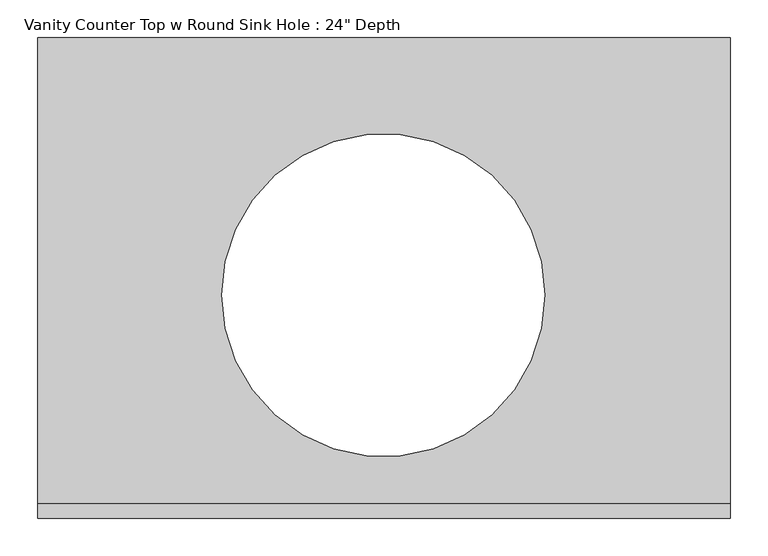
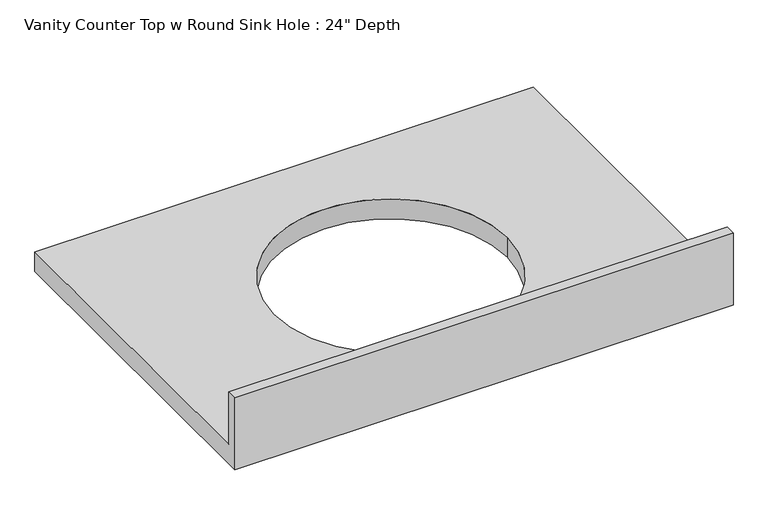
"""IFC4 building model written with IfcOpenShell, lengths in millimetres: furniture geometry."""

from ifc_helpers import new_model, si_unit, frame, origin, place, context, project, spatial, polyline, circle_curve, source, transform, mapped, element, save
from ifc_brep_helpers import plane_surface, revolved_surface, advanced_brep


def furniture_6fd07c0e(model_context):
    return source(origin(), model_context, "Body", "AdvancedBrep", [
        advanced_brep(
        [(-1327.4622951, 635.0, 787.4), (-1327.4622951, 19.05, 787.4), (-413.0622951, 19.05, 787.4), (-413.0622951, 635.0, 787.4), (-657.6613189, 294.8332632, 787.4), (-1084.3650835, 294.8332632, 787.4), (-413.0622951, 0.0, 749.3), (-1327.4622951, 0.0, 749.3), (-1327.4622951, 635.0, 749.3), (-413.0622951, 635.0, 749.3), (-1084.3650835, 294.8332632, 749.3), (-657.6613189, 294.8332632, 749.3), (-413.0622951, 0.0, 889.0), (-1327.4622951, 0.0, 889.0), (-1327.4622951, 19.05, 889.0), (-413.0622951, 19.05, 889.0)],
        [
            (0, 1),
            (1, 2),
            (2, 3),
            (3, 0),
            (4, 5, circle_curve(frame((-871.0132012, 294.8332632, 787.4), z_axis=(0.0, 0.0, -1.0), x_axis=(1.0, 0.0, 0.0)), 213.3518823)),
            (5, 4, circle_curve(frame((-871.0132012, 294.8332632, 787.4), z_axis=(0.0, 0.0, -1.0), x_axis=(1.0, 0.0, 0.0)), 213.3518823)),
            (6, 7),
            (7, 8),
            (8, 9),
            (9, 6),
            (10, 11, circle_curve(frame((-871.0132012, 294.8332632, 749.3), z_axis=(0.0, 0.0, 1.0), x_axis=(1.0, 0.0, 0.0)), 213.3518823)),
            (11, 10, circle_curve(frame((-871.0132012, 294.8332632, 749.3), z_axis=(0.0, 0.0, 1.0), x_axis=(1.0, 0.0, 0.0)), 213.3518823)),
            (6, 12),
            (12, 13),
            (13, 7),
            (13, 14),
            (14, 1),
            (0, 8),
            (3, 9),
            (2, 15),
            (15, 12),
            (15, 14),
            (5, 10),
            (11, 4),
        ],
        [
            plane_surface(frame((-1327.4622951, 0.0, 787.4), z_axis=(0.0, 0.0, 1.0), x_axis=(-1.0, 0.0, 0.0))),
            plane_surface(frame((-1327.4622951, 0.0, 749.3), z_axis=(0.0, 0.0, -1.0), x_axis=(1.0, 0.0, 0.0))),
            plane_surface(frame((-413.0622951, 0.0, 787.4), z_axis=(0.0, -1.0, 0.0), x_axis=(0.0, 0.0, -1.0))),
            plane_surface(frame((-1327.4622951, 0.0, 787.4), z_axis=(-1.0, 0.0, 0.0), x_axis=(0.0, 0.0, -1.0))),
            plane_surface(frame((-1327.4622951, 635.0, 787.4), z_axis=(0.0, 1.0, 0.0), x_axis=(0.0, 0.0, -1.0))),
            plane_surface(frame((-413.0622951, 635.0, 787.4), z_axis=(1.0, 0.0, 0.0), x_axis=(0.0, 0.0, -1.0))),
            plane_surface(frame((-1327.4622951, 0.0, 889.0), z_axis=(0.0, 0.0, 1.0), x_axis=(0.0, 1.0, 0.0))),
            plane_surface(frame((-1327.4622951, 19.05, 889.0), z_axis=(0.0, 1.0, 0.0), x_axis=(0.0, 0.0, -1.0))),
            revolved_surface(polyline([(-657.6613189, 294.8332632, 787.4), (-657.6613189, 294.8332632, 749.3)]), (-871.0132012, 294.8332632, 749.3), (0.0, 0.0, 1.0)),
        ],
        [
            (0, [[1, 2, 3, 4], [5, 6]]),
            (1, [[7, 8, 9, 10], [11, 12]]),
            (2, [[13, 14, 15, -7]]),
            (3, [[-15, 16, 17, -1, 18, -8]]),
            (4, [[19, -9, -18, -4]]),
            (5, [[-19, -3, 20, 21, -13, -10]]),
            (6, [[-14, -21, 22, -16]]),
            (7, [[-20, -2, -17, -22]]),
            (8, [[-6, 23, -12, 24]]),
            (8, [[-11, -23, -5, -24]]),
        ],
    ),
    ])


if __name__ == "__main__":
    model = new_model("IFC4")
    model_context = context("Model", 3, world=origin())
    ifc_project = project(units=[si_unit("LENGTHUNIT", "METRE", prefix="MILLI")], contexts=[model_context])
    site = spatial("IfcSite", under=ifc_project)
    building = spatial("IfcBuilding", under=site)
    placement = place(None, origin())
    furniture_shape = furniture_6fd07c0e(model_context)
    element("IfcFurniture", 1, ObjectType="Vanity Counter Top w Round Sink Hole : 24\" Depth", at=placement, inside=building, context=model_context, shape_type="MappedRepresentation", body=[
        mapped(furniture_shape, transform((0.0, 0.0, 0.0), x_axis=(1.0, 0.0, 0.0), y_axis=(0.0, 1.0, 0.0), z_axis=(0.0, 0.0, 1.0))),
    ])
    save(model, "model.ifc")
